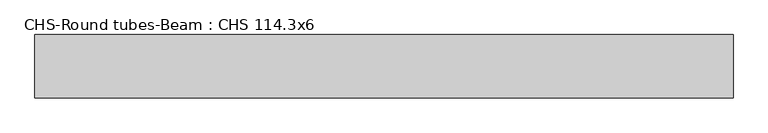
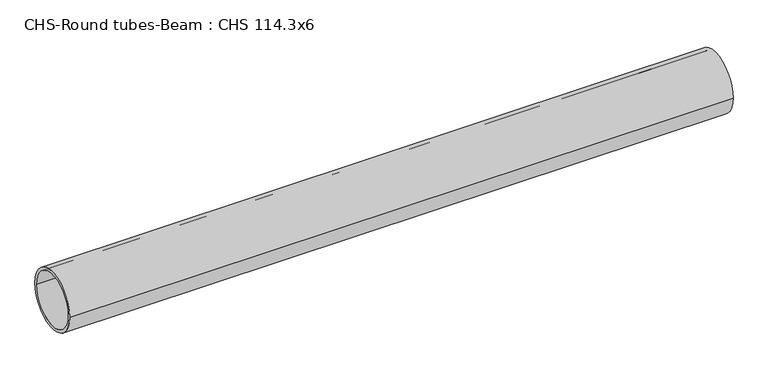
"""IFC4 building model written with IfcOpenShell, lengths in millimetres: beam geometry, CHS-Round tubes-Beam : CHS 114.3x6."""

from ifc_helpers import new_model, si_unit, point, frame, origin, origin_2d, place, context, project, spatial, circle_curve, trimmed, segment, composite_curve, outline, extrude, source, transform, mapped, element, save


def chs_round_tubes_beam_chs_114_3x6_e7410f72(model_context):
    return source(origin(), model_context, "Body", "SweptSolid", [
        extrude(outline(composite_curve([segment(trimmed(circle_curve(origin_2d(), 57.15), [point((57.15, 0.0))], [point((-57.15, 0.0))], False, "CARTESIAN"), True, "CONTINUOUS"), segment(trimmed(circle_curve(origin_2d(), 57.15), [point((-57.15, 0.0))], [point((57.15, 0.0))], False, "CARTESIAN"), True, "CONTINUOUS")], self_intersect=False), holes=[composite_curve([segment(trimmed(circle_curve(origin_2d(), 51.15), [point((51.15, 0.0))], [point((-51.15, 0.0))], True, "CARTESIAN"), True, "CONTINUOUS"), segment(trimmed(circle_curve(origin_2d(), 51.15), [point((-51.15, 0.0))], [point((51.15, 0.0))], True, "CARTESIAN"), True, "CONTINUOUS")], self_intersect=False)]), frame((-637.7370315, 0.0, 0.0), z_axis=(1.0, 0.0, 0.0), x_axis=(0.0, 1.0, 0.0)), (0.0, 0.0, 1.0), 1255.9308777),
    ])


if __name__ == "__main__":
    model = new_model("IFC4")
    model_context = context("Model", 3, world=origin())
    ifc_project = project(units=[si_unit("LENGTHUNIT", "METRE", prefix="MILLI")], contexts=[model_context])
    site = spatial("IfcSite", under=ifc_project)
    building = spatial("IfcBuilding", under=site)
    placement = place(None, origin())
    chs_round_tubes_beam_chs_114_3x6_shape = chs_round_tubes_beam_chs_114_3x6_e7410f72(model_context)
    element("IfcBeam", 1, ObjectType="CHS-Round tubes-Beam : CHS 114.3x6", at=placement, inside=building, context=model_context, shape_type="MappedRepresentation", body=[
        mapped(chs_round_tubes_beam_chs_114_3x6_shape, transform((0.0, 0.0, 0.0), x_axis=(1.0, 0.0, 0.0), y_axis=(0.0, 1.0, 0.0), z_axis=(0.0, 0.0, 1.0))),
    ])
    save(model, "model.ifc")
